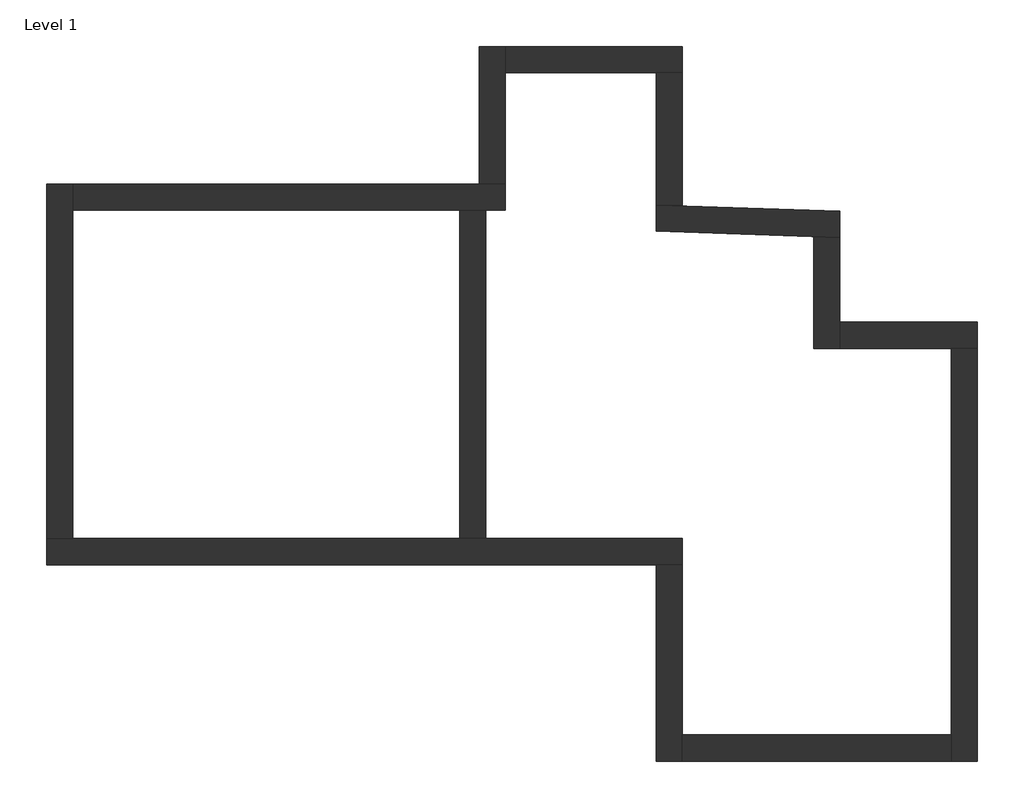
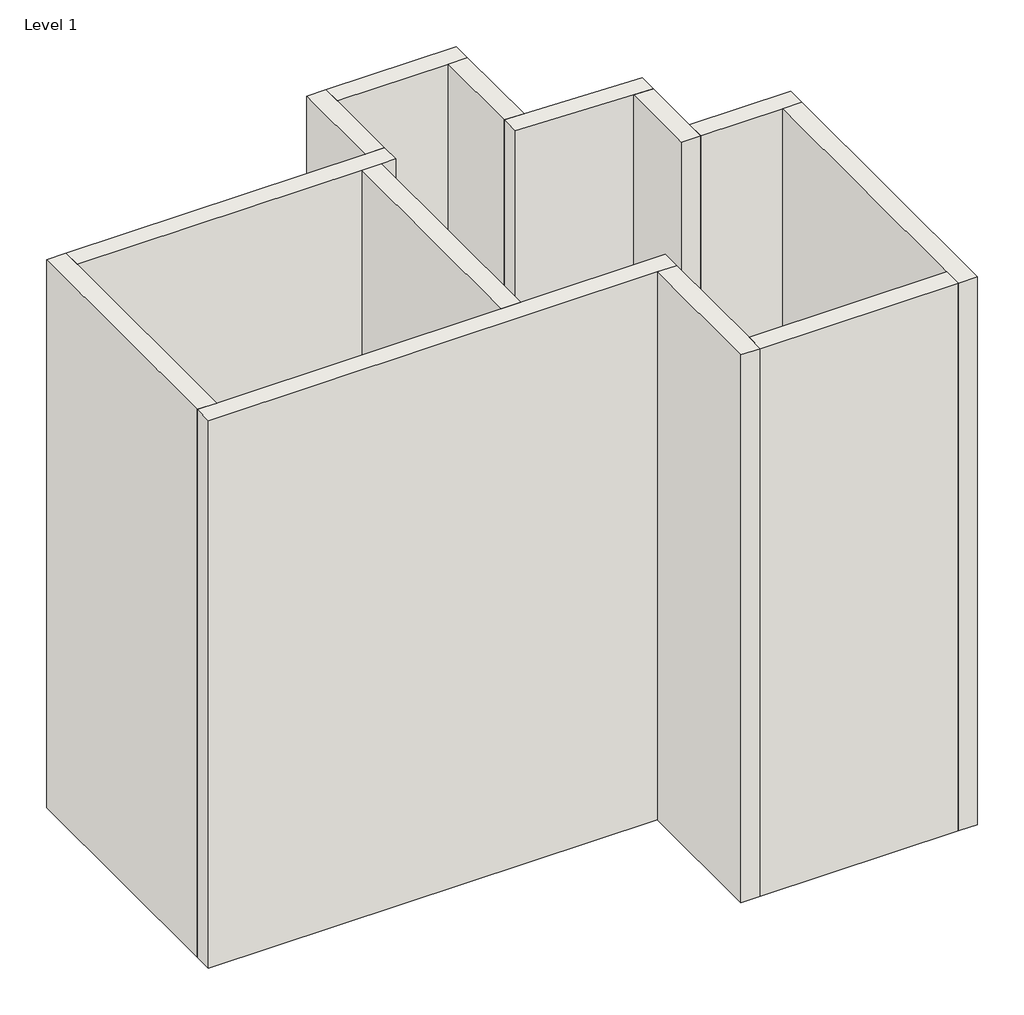
# One storey: 13 walls.
"""IFC4 building model written with IfcOpenShell, lengths in millimetres."""

import ifcopenshell
import ifcopenshell.guid

model = None  # the IFC model being written
_history = None  # IfcOwnerHistory: only IFC2X3 demands one
_inside = {}  # id of a spatial element -> (the spatial element, [elements in it])
_under = {}  # id of a project, library or spatial element -> (it, [spatial elements below it])
_declared = {}  # id of a project -> (the project, [libraries it declares])
_typed = {}  # id of a type object -> (the type object, [elements of that type])
_made_of = {}  # id of a material, layer set ... -> (it, [elements and type objects made of it])


def new_model(schema):
    """Start an empty IFC model of exactly this schema.

    Asked for "IFC4X3", IfcOpenShell would pick the latest addendum, in which some entities
    have other attributes; the version numbers below select the first issue.
    IFC2X3 requires an IfcOwnerHistory on every rooted entity: one is made here for all.
    """
    global model, _history
    if schema == "IFC4X3":
        model = ifcopenshell.file(schema_version=(4, 3, 0, 0))
    else:
        model = ifcopenshell.file(schema=schema)
    _inside.clear()
    _under.clear()
    _declared.clear()
    _typed.clear()
    _made_of.clear()
    _history = None
    if model.schema == "IFC2X3":
        org = make("IfcOrganization", Name="unknown")
        user = make(
            "IfcPersonAndOrganization",
            ThePerson=make("IfcPerson", FamilyName="unknown"),
            TheOrganization=org,
        )
        app = make(
            "IfcApplication",
            ApplicationDeveloper=org,
            Version="unknown",
            ApplicationFullName="unknown",
            ApplicationIdentifier="unknown",
        )
        _history = make(
            "IfcOwnerHistory",
            OwningUser=user,
            OwningApplication=app,
            ChangeAction="ADDED",
            CreationDate=0,
        )
    return model


def make(cls, **values):
    """One entity of the class cls with the attributes given. An attribute that is None is left unset."""
    return model.create_entity(
        cls, **{name: value for name, value in values.items() if value is not None}
    )


def rooted(cls, **values):
    """An entity with a GlobalId (a new one), such as an element, a storey or a relation."""
    return make(cls, GlobalId=ifcopenshell.guid.new(), OwnerHistory=_history, **values)


def si_unit(unit_type, name, prefix=None):
    """IfcSIUnit, for example si_unit("LENGTHUNIT", "METRE", prefix="MILLI")."""
    return make("IfcSIUnit", UnitType=unit_type, Prefix=prefix, Name=name)


def assignment(units):
    """IfcUnitAssignment: the units of a project."""
    return None if units is None else make("IfcUnitAssignment", Units=units)


def point(xyz):
    """IfcCartesianPoint."""
    return None if xyz is None else make("IfcCartesianPoint", Coordinates=xyz)


def direction(xyz):
    """IfcDirection."""
    return None if xyz is None else make("IfcDirection", DirectionRatios=xyz)


def frame(location, z_axis=None, x_axis=None):
    """IfcAxis2Placement3D, a coordinate frame: its origin and axes. An axis left out is left unset."""
    return make(
        "IfcAxis2Placement3D",
        Location=point(location),
        Axis=direction(z_axis),
        RefDirection=direction(x_axis),
    )


def origin():
    """The frame at (0, 0, 0) with its axes left unset."""
    return frame((0.0, 0.0, 0.0))


def origin_with_axes():
    """The frame at (0, 0, 0) with the z axis (0, 0, 1) and the x axis (1, 0, 0) written out."""
    return frame((0.0, 0.0, 0.0), z_axis=(0.0, 0.0, 1.0), x_axis=(1.0, 0.0, 0.0))


def place(relative_to, where):
    """IfcLocalPlacement: puts the frame where relative to a parent placement (None: the world)."""
    return make(
        "IfcLocalPlacement", PlacementRelTo=relative_to, RelativePlacement=where
    )


def context(
    kind, dimensions, precision=None, world=None, true_north=None, identifier=None
):
    """IfcGeometricRepresentationContext, for example the 3D "Model" context."""
    return make(
        "IfcGeometricRepresentationContext",
        ContextIdentifier=identifier,
        ContextType=kind,
        CoordinateSpaceDimension=dimensions,
        Precision=precision,
        WorldCoordinateSystem=world,
        TrueNorth=true_north,
    )


def project(units=None, contexts=None):
    """IfcProject with its units and contexts."""
    return rooted(
        "IfcProject",
        Name="project",
        RepresentationContexts=contexts,
        UnitsInContext=assignment(units),
    )


def spatial(cls, under=None, at=None, **own):
    """A site, building, storey or space (cls), placed at a placement, below another one or the project."""
    s = rooted(cls, ObjectPlacement=at, **own)
    if under is not None:
        _under.setdefault(under.id(), (under, []))[1].append(s)
    return s


def polyline(points):
    """IfcPolyline through the points."""
    return make("IfcPolyline", Points=[point(p) for p in points])


def outline(outer, holes=None, kind="AREA"):
    """IfcArbitraryClosedProfileDef: a profile drawn as a closed curve; with holes, ...WithVoids."""
    if holes is None:
        return make("IfcArbitraryClosedProfileDef", ProfileType=kind, OuterCurve=outer)
    return make(
        "IfcArbitraryProfileDefWithVoids",
        ProfileType=kind,
        OuterCurve=outer,
        InnerCurves=holes,
    )


def extrude(swept, where, along, depth):
    """IfcExtrudedAreaSolid: the profile swept, set in the frame where, extruded along a direction by depth."""
    return make(
        "IfcExtrudedAreaSolid",
        SweptArea=swept,
        Position=where,
        ExtrudedDirection=direction(along),
        Depth=depth,
    )


def faces_of(points, faces, orient=None, outer=None):
    """IfcFace entities. A face is a list of loops; a loop is a list of indices into points, from 0.

    orient and outer hold one flag for each loop. By default every Orientation is true, the
    first loop of a face is its IfcFaceOuterBound and the others are IfcFaceBound.
    """
    made = []
    for i, loops in enumerate(faces):
        bounds = []
        for j, loop in enumerate(loops):
            is_outer = j == 0 if outer is None else outer[i][j]
            bounds.append(
                make(
                    "IfcFaceOuterBound" if is_outer else "IfcFaceBound",
                    Bound=make("IfcPolyLoop", Polygon=[points[k] for k in loop]),
                    Orientation=True if orient is None else orient[i][j],
                )
            )
        made.append(make("IfcFace", Bounds=bounds))
    return made


def faceted_brep(points, faces, orient=None, outer=None, voids=None):
    """IfcFacetedBrep: a solid bounded by flat faces; with voids (closed shells), ...WithVoids."""
    shared = [point(p) for p in points]
    hull = make("IfcClosedShell", CfsFaces=faces_of(shared, faces, orient, outer))
    if voids is None:
        return make("IfcFacetedBrep", Outer=hull)
    return make(
        "IfcFacetedBrepWithVoids",
        Outer=hull,
        Voids=[
            make(cls, CfsFaces=faces_of(shared, fs, o, b)) for cls, fs, o, b in voids
        ],
    )


def shape(context_of_items, identifier, shape_type, items):
    """IfcShapeRepresentation: the items that make up one representation, for example the "Body"."""
    return make(
        "IfcShapeRepresentation",
        ContextOfItems=context_of_items,
        RepresentationIdentifier=identifier,
        RepresentationType=shape_type,
        Items=items,
    )


def made_of(thing, what):
    """Note that an element or type object is made of a material, layer set ...; save() writes the relation."""
    if what is not None:
        _made_of.setdefault(what.id(), (what, []))[1].append(thing)
    return thing


def element(
    cls,
    number,
    at=None,
    inside=None,
    cuts=None,
    type_object=None,
    material=None,
    context=None,
    identifier="Body",
    shape_type=None,
    held_by="IfcProductDefinitionShape",
    body=None,
    shapes=None,
    **own,
):
    """One element of the class cls, such as IfcWall. Its Tag is "e" and its number.

    at: its placement. inside: the storey or other place that contains it. cuts: it is an
    opening in that element (IfcRelVoidsElement). A single representation is given by context,
    identifier, shape_type and body (its items); several are given by shapes. held_by: the class
    of the entity that holds the representations. save() writes the other relations.
    """
    e = rooted(cls, Tag="e%d" % number, ObjectPlacement=at, **own)
    if body is not None:
        shapes = [shape(context, identifier, shape_type, body)]
    if shapes is not None:
        e.Representation = make(held_by, Representations=shapes)
    if inside is not None:
        _inside.setdefault(inside.id(), (inside, []))[1].append(e)
    if cuts is not None:
        rooted(
            "IfcRelVoidsElement", RelatingBuildingElement=cuts, RelatedOpeningElement=e
        )
    if type_object is not None:
        _typed.setdefault(type_object.id(), (type_object, []))[1].append(e)
    return made_of(e, material)


def aggregate(whole, parts):
    """IfcRelAggregates: a whole, such as a stair, and the parts it consists of."""
    return rooted("IfcRelAggregates", RelatingObject=whole, RelatedObjects=parts)


def save(model, path):
    """Write the relations noted so far, then the file.

    IfcRelAggregates (storeys below a building ...), IfcRelContainedInSpatialStructure (elements
    in a storey), IfcRelDefinesByType, IfcRelAssociatesMaterial and IfcRelDeclares: one each for
    every whole, place, type object, material and project.
    """
    for whole, parts in _under.values():
        aggregate(whole, parts)
    for where, things in _inside.values():
        rooted(
            "IfcRelContainedInSpatialStructure",
            RelatedElements=things,
            RelatingStructure=where,
        )
    for kind, things in _typed.values():
        rooted("IfcRelDefinesByType", RelatedObjects=things, RelatingType=kind)
    for what, things in _made_of.values():
        rooted("IfcRelAssociatesMaterial", RelatedObjects=things, RelatingMaterial=what)
    for by, libraries in _declared.values():
        rooted("IfcRelDeclares", RelatingContext=by, RelatedDefinitions=libraries)
    model.write(path)


model = new_model("IFC4")

# Units and contexts
model_context = context("Model", 3, world=origin())
ifc_project = project(units=[si_unit("LENGTHUNIT", "METRE", prefix="MILLI")], contexts=[model_context])

# Site, building, storey
site = spatial("IfcSite", under=ifc_project)
building = spatial("IfcBuilding", under=site)
storey = spatial("IfcBuildingStorey", under=building, Name="Level 1", Elevation=0.0)

# Walls
placement = place(None, origin())
element("IfcWall", 1, ObjectType="Wall 1", at=placement, inside=storey, context=model_context, shape_type="Brep", body=[
    faceted_brep([(2552.1567441, 2911.0922588, 0.0), (3771.3567441, 2868.5168567, 0.0), (3974.5567441, 2861.4209563, 0.0), (3974.5567441, 2861.4209563, 6096.0), (3771.3567441, 2868.5168567, 6096.0), (2552.1567441, 2911.0922588, 6096.0), (2552.1567441, 3114.4161182, 0.0), (2552.1567441, 3114.4161182, 6096.0), (2755.3567441, 3107.3202179, 6096.0), (3974.5567441, 3064.7448157, 6096.0), (3974.5567441, 3064.7448157, 0.0), (2755.3567441, 3107.3202179, 0.0)], [[[0, 1, 2, 3, 4, 5]], [[6, 7, 8, 9, 10, 11]], [[2, 1, 0, 6, 11, 10]], [[5, 4, 3, 9, 8, 7]], [[3, 2, 10, 9]], [[0, 5, 7, 6]]]),
])
element("IfcWall", 2, ObjectType="Wall 1", at=placement, inside=storey, context=model_context, shape_type="Brep", body=[
    faceted_brep([(3771.3567441, 2868.5168567, 0.0), (3771.3567441, 2001.4308362, 0.0), (3771.3567441, 2001.4308362, 6096.0), (3771.3567441, 2868.5168567, 6096.0), (3974.5567441, 2861.4209563, 0.0), (3974.5567441, 2861.4209563, 6096.0), (3974.5567441, 2204.6308362, 6096.0), (3974.5567441, 2001.4308362, 6096.0), (3974.5567441, 2001.4308362, 0.0), (3974.5567441, 2204.6308362, 0.0)], [[[0, 1, 2, 3]], [[4, 5, 6, 7, 8, 9]], [[1, 0, 4, 9, 8]], [[3, 2, 7, 6, 5]], [[0, 3, 5, 4]], [[2, 1, 8, 7]]]),
])
element("IfcWall", 3, ObjectType="Wall 1", at=placement, inside=storey, context=model_context, shape_type="Brep", body=[
    faceted_brep([(3974.5567441, 2001.4308362, 0.0), (4838.1567441, 2001.4308362, 0.0), (5041.3567441, 2001.4308362, 0.0), (5041.3567441, 2001.4308362, 6096.0), (4838.1567441, 2001.4308362, 6096.0), (3974.5567441, 2001.4308362, 6096.0), (3974.5567441, 2204.6308362, 0.0), (3974.5567441, 2204.6308362, 6096.0), (5041.3567441, 2204.6308362, 6096.0), (5041.3567441, 2204.6308362, 0.0)], [[[0, 1, 2, 3, 4, 5]], [[6, 7, 8, 9]], [[2, 1, 0, 6, 9]], [[5, 4, 3, 8, 7]], [[0, 5, 7, 6]], [[3, 2, 9, 8]]]),
])
element("IfcWall", 4, ObjectType="Wall 1", at=placement, inside=storey, context=model_context, shape_type="Brep", body=[
    faceted_brep([(4838.1567441, 2001.4308362, 0.0), (4838.1567441, -995.7691638, 0.0), (4838.1567441, -1198.9691638, 0.0), (4838.1567441, -1198.9691638, 6096.0), (4838.1567441, -995.7691638, 6096.0), (4838.1567441, 2001.4308362, 6096.0), (5041.3567441, 2001.4308362, 0.0), (5041.3567441, 2001.4308362, 6096.0), (5041.3567441, -1198.9691638, 6096.0), (5041.3567441, -1198.9691638, 0.0)], [[[0, 1, 2, 3, 4, 5]], [[6, 7, 8, 9]], [[2, 1, 0, 6, 9]], [[5, 4, 3, 8, 7]], [[0, 5, 7, 6]], [[3, 2, 9, 8]]]),
])
element("IfcWall", 5, ObjectType="Wall 1", at=placement, inside=storey, context=model_context, shape_type="Brep", body=[
    faceted_brep([(2755.3567441, 528.2308362, 0.0), (1231.3567441, 528.2308362, 0.0), (1028.1567441, 528.2308362, 0.0), (-1969.0432559, 528.2308362, 0.0), (-2172.2432559, 528.2308362, 0.0), (-2172.2432559, 528.2308362, 6096.0), (-1969.0432559, 528.2308362, 6096.0), (1028.1567441, 528.2308362, 6096.0), (1231.3567441, 528.2308362, 6096.0), (2755.3567441, 528.2308362, 6096.0), (2755.3567441, 325.0308362, 0.0), (2755.3567441, 325.0308362, 6096.0), (2552.1567441, 325.0308362, 6096.0), (-2172.2432559, 325.0308362, 6096.0), (-2172.2432559, 325.0308362, 0.0), (2552.1567441, 325.0308362, 0.0)], [[[0, 1, 2, 3, 4, 5, 6, 7, 8, 9]], [[10, 11, 12, 13, 14, 15]], [[4, 3, 2, 1, 0, 10, 15, 14]], [[9, 8, 7, 6, 5, 13, 12, 11]], [[5, 4, 14, 13]], [[0, 9, 11, 10]]]),
])
element("IfcWall", 6, ObjectType="Wall 1", at=placement, inside=storey, context=model_context, shape_type="Brep", body=[
    faceted_brep([(-1969.0432559, 528.2308362, 0.0), (-1969.0432559, 3072.5859217, 0.0), (-1969.0432559, 3275.7859217, 0.0), (-1969.0432559, 3275.7859217, 6096.0), (-1969.0432559, 3072.5859217, 6096.0), (-1969.0432559, 528.2308362, 6096.0), (-2172.2432559, 528.2308362, 0.0), (-2172.2432559, 528.2308362, 6096.0), (-2172.2432559, 3275.7859217, 6096.0), (-2172.2432559, 3275.7859217, 0.0)], [[[0, 1, 2, 3, 4, 5]], [[6, 7, 8, 9]], [[2, 1, 0, 6, 9]], [[5, 4, 3, 8, 7]], [[0, 5, 7, 6]], [[3, 2, 9, 8]]]),
])
element("IfcWall", 7, ObjectType="Wall 1", at=placement, inside=storey, context=model_context, shape_type="Brep", body=[
    faceted_brep([(-1969.0432559, 3072.5859217, 0.0), (1028.1567441, 3072.5859217, 0.0), (1231.3567441, 3072.5859217, 0.0), (1383.7567441, 3072.5859217, 0.0), (1383.7567441, 3072.5859217, 6096.0), (1231.3567441, 3072.5859217, 6096.0), (1028.1567441, 3072.5859217, 6096.0), (-1969.0432559, 3072.5859217, 6096.0), (-1969.0432559, 3275.7859217, 0.0), (-1969.0432559, 3275.7859217, 6096.0), (1180.5567441, 3275.7859217, 6096.0), (1383.7567441, 3275.7859217, 6096.0), (1383.7567441, 3275.7859217, 0.0), (1180.5567441, 3275.7859217, 0.0)], [[[0, 1, 2, 3, 4, 5, 6, 7]], [[8, 9, 10, 11, 12, 13]], [[3, 2, 1, 0, 8, 13, 12]], [[7, 6, 5, 4, 11, 10, 9]], [[0, 7, 9, 8]], [[4, 3, 12, 11]]]),
])
element("IfcWall", 8, ObjectType="Wall 1", at=placement, inside=storey, context=model_context, shape_type="Brep", body=[
    faceted_brep([(1383.7567441, 3275.7859217, 0.0), (1383.7567441, 4139.3859217, 0.0), (1383.7567441, 4342.5859217, 0.0), (1383.7567441, 4342.5859217, 6096.0), (1383.7567441, 4139.3859217, 6096.0), (1383.7567441, 3275.7859217, 6096.0), (1180.5567441, 3275.7859217, 0.0), (1180.5567441, 3275.7859217, 6096.0), (1180.5567441, 4342.5859217, 6096.0), (1180.5567441, 4342.5859217, 0.0)], [[[0, 1, 2, 3, 4, 5]], [[6, 7, 8, 9]], [[2, 1, 0, 6, 9]], [[5, 4, 3, 8, 7]], [[0, 5, 7, 6]], [[3, 2, 9, 8]]]),
])
element("IfcWall", 9, ObjectType="Wall 1", at=placement, inside=storey, context=model_context, shape_type="Brep", body=[
    faceted_brep([(1383.7567441, 4139.3859217, 0.0), (2552.1567441, 4139.3859217, 0.0), (2755.3567441, 4139.3859217, 0.0), (2755.3567441, 4139.3859217, 6096.0), (2552.1567441, 4139.3859217, 6096.0), (1383.7567441, 4139.3859217, 6096.0), (1383.7567441, 4342.5859217, 0.0), (1383.7567441, 4342.5859217, 6096.0), (2755.3567441, 4342.5859217, 6096.0), (2755.3567441, 4342.5859217, 0.0)], [[[0, 1, 2, 3, 4, 5]], [[6, 7, 8, 9]], [[2, 1, 0, 6, 9]], [[5, 4, 3, 8, 7]], [[0, 5, 7, 6]], [[3, 2, 9, 8]]]),
])
element("IfcWall", 10, ObjectType="Wall 1", at=placement, inside=storey, context=model_context, shape_type="SweptSolid", body=[
    extrude(outline(polyline([(2552.1567441, 3114.4161182), (2552.1567441, 4139.3859217), (2755.3567441, 4139.3859217), (2755.3567441, 3107.3202179), (2552.1567441, 3114.4161182)])), origin_with_axes(), (0.0, 0.0, 1.0), 6096.0),
])
element("IfcWall", 11, ObjectType="Wall 1", at=placement, inside=storey, context=model_context, shape_type="SweptSolid", body=[
    extrude(outline(polyline([(1028.1567441, 528.2308362), (1028.1567441, 3072.5859217), (1231.3567441, 3072.5859217), (1231.3567441, 528.2308362), (1028.1567441, 528.2308362)])), origin_with_axes(), (0.0, 0.0, 1.0), 6096.0),
])
element("IfcWall", 12, ObjectType="Wall 1", at=placement, inside=storey, context=model_context, shape_type="Brep", body=[
    faceted_brep([(2755.3567441, -1198.9691638, 0.0), (2755.3567441, -995.7691638, 0.0), (2755.3567441, 325.0308362, 0.0), (2755.3567441, 325.0308362, 6096.0), (2755.3567441, -995.7691638, 6096.0), (2755.3567441, -1198.9691638, 6096.0), (2552.1567441, -1198.9691638, 0.0), (2552.1567441, -1198.9691638, 6096.0), (2552.1567441, 325.0308362, 6096.0), (2552.1567441, 325.0308362, 0.0)], [[[0, 1, 2, 3, 4, 5]], [[6, 7, 8, 9]], [[2, 1, 0, 6, 9]], [[5, 4, 3, 8, 7]], [[0, 5, 7, 6]], [[3, 2, 9, 8]]]),
])
element("IfcWall", 13, ObjectType="Wall 1", at=placement, inside=storey, context=model_context, shape_type="SweptSolid", body=[
    extrude(outline(polyline([(2755.3567441, -995.7691638), (4838.1567441, -995.7691638), (4838.1567441, -1198.9691638), (2755.3567441, -1198.9691638), (2755.3567441, -995.7691638)])), origin_with_axes(), (0.0, 0.0, 1.0), 6096.0),
])

save(model, "model.ifc")
